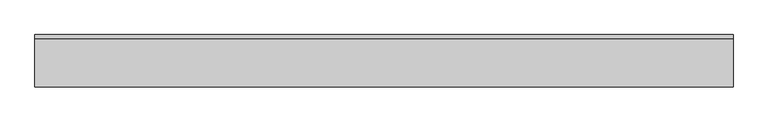
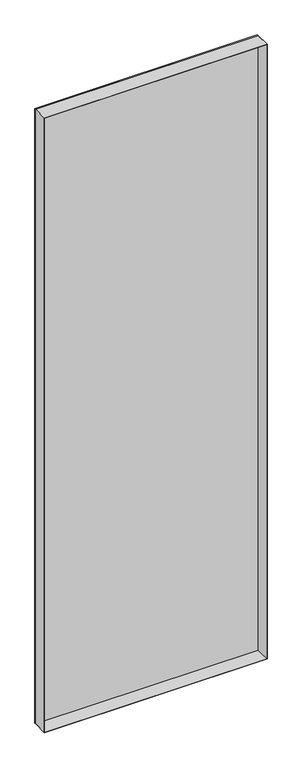
"""IFC4 building model written with IfcOpenShell, lengths in millimetres: plate geometry."""

from ifc_helpers import new_model, si_unit, frame, origin, origin_with_axes, place, context, project, spatial, polyline, outline, extrude, source, transform, mapped, element, save


def plate_6eb9e964(model_context):
    return source(origin(), model_context, "Body", "SweptSolid", [
        extrude(outline(polyline([(2915.0, -498.9415345), (0.0, -498.9415345), (0.0, 498.9415345), (2915.0, 498.9415345), (2915.0, -498.9415345)]), holes=[polyline([(2914.0, -497.9415345), (2914.0, 497.9415345), (1.0, 497.9415345), (1.0, -497.9415345), (2914.0, -497.9415345)])]), frame((0.0, -37.2, 0.0), z_axis=(0.0, 1.0, 0.0), x_axis=(0.0, 0.0, 1.0)), (0.0, 0.0, 1.0), 68.4),
        extrude(outline(polyline([(498.9415345, 31.2), (-498.9415345, 31.2), (-498.9415345, 37.2), (498.9415345, 37.2), (498.9415345, 31.2)])), origin_with_axes(), (0.0, 0.0, 1.0), 2915.0),
    ])


if __name__ == "__main__":
    model = new_model("IFC4")
    model_context = context("Model", 3, world=origin())
    ifc_project = project(units=[si_unit("LENGTHUNIT", "METRE", prefix="MILLI")], contexts=[model_context])
    site = spatial("IfcSite", under=ifc_project)
    building = spatial("IfcBuilding", under=site)
    placement = place(None, origin())
    plate_shape = plate_6eb9e964(model_context)
    element("IfcPlate", 1, at=placement, inside=building, context=model_context, shape_type="MappedRepresentation", body=[
        mapped(plate_shape, transform((0.0, 0.0, 0.0), x_axis=(1.0, 0.0, 0.0), y_axis=(0.0, 1.0, 0.0), z_axis=(0.0, 0.0, 1.0))),
    ])
    save(model, "model.ifc")
